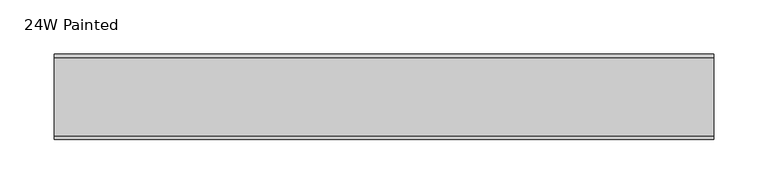
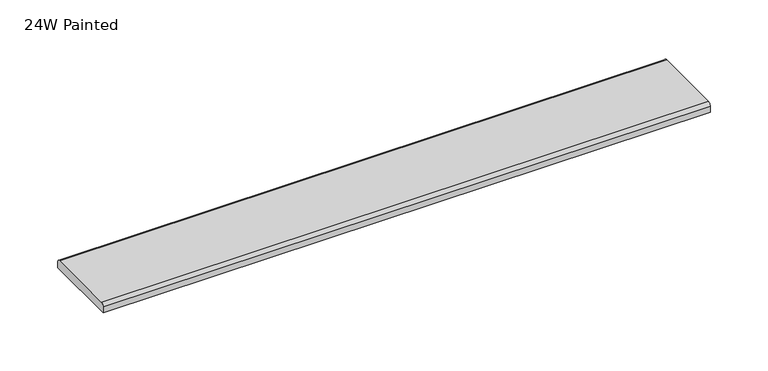
"""IFC4 building model written with IfcOpenShell, lengths in millimetres: furniture geometry, 24W Painted."""

from ifc_helpers import new_model, si_unit, point, frame, frame_2d, origin, place, context, project, spatial, polyline, circle_curve, trimmed, segment, composite_curve, outline, extrude, source, transform, mapped, element, save


def furniture_24w_painted_3a971090(model_context):
    return source(origin(), model_context, "Body", "SweptSolid", [
        extrude(outline(composite_curve([segment(polyline([(37.5704018, 1156.716), (37.5704018, 1150.366), (-40.8679732, 1150.366), (-40.8679732, 1156.716)]), True, "CONTINUOUS"), segment(trimmed(circle_curve(frame_2d((-37.6929732, 1156.716)), 3.175), [point((-40.8679732, 1156.716))], [point((-37.6929732, 1159.891))], False, "CARTESIAN"), True, "CONTINUOUS"), segment(polyline([(-37.6929732, 1159.891), (34.3954018, 1159.891)]), True, "CONTINUOUS"), segment(trimmed(circle_curve(frame_2d((34.3954018, 1156.716)), 3.175), [point((34.3954018, 1159.891))], [point((37.5704018, 1156.716))], False, "CARTESIAN"), True, "CONTINUOUS")], self_intersect=False)), frame((-302.574325, 0.0, 0.0), z_axis=(1.0, 0.0, 0.0), x_axis=(0.0, 1.0, 0.0)), (0.0, 0.0, 1.0), 605.155),
    ])


if __name__ == "__main__":
    model = new_model("IFC4")
    model_context = context("Model", 3, world=origin())
    ifc_project = project(units=[si_unit("LENGTHUNIT", "METRE", prefix="MILLI")], contexts=[model_context])
    site = spatial("IfcSite", under=ifc_project)
    building = spatial("IfcBuilding", under=site)
    placement = place(None, origin())
    furniture_24w_painted_shape = furniture_24w_painted_3a971090(model_context)
    element("IfcFurniture", 1, ObjectType="24W Painted", at=placement, inside=building, context=model_context, shape_type="MappedRepresentation", body=[
        mapped(furniture_24w_painted_shape, transform((0.0, 0.0, 0.0), x_axis=(1.0, 0.0, 0.0), y_axis=(0.0, 1.0, 0.0), z_axis=(0.0, 0.0, 1.0))),
    ])
    save(model, "model.ifc")
